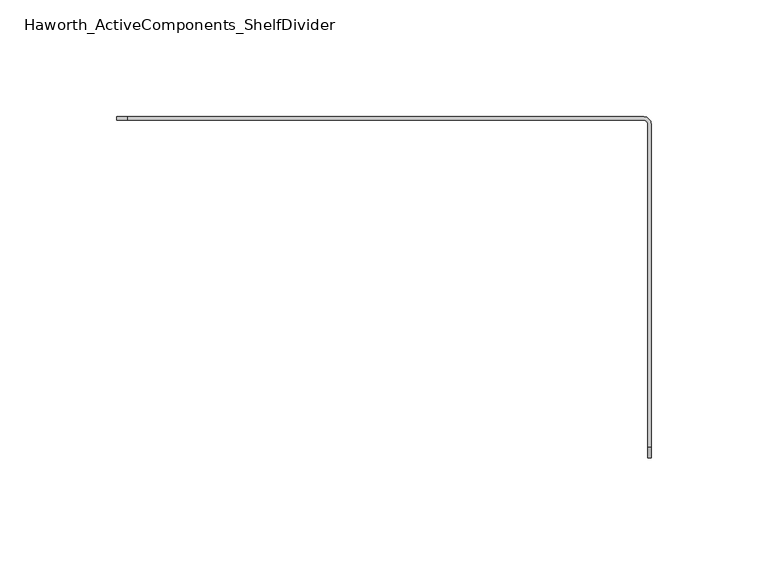
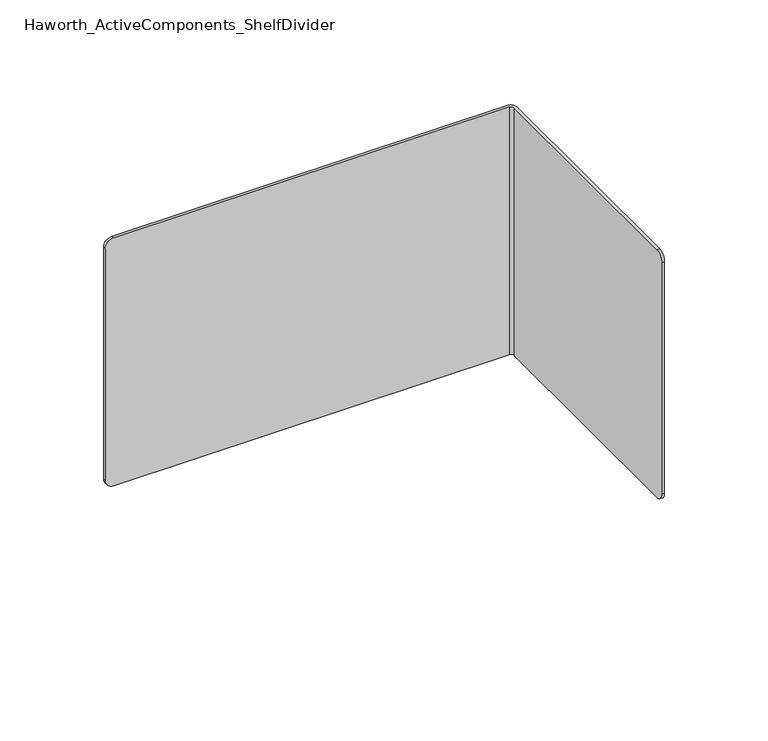
"""IFC4 building model written with IfcOpenShell, lengths in millimetres: furniture geometry, Haworth_ActiveComponents_ShelfDivider."""

from ifc_helpers import new_model, si_unit, frame, origin, place, context, project, spatial, polyline, circle_curve, source, transform, mapped, element, save
from ifc_brep_helpers import plane_surface, cylinder_surface, revolved_surface, advanced_brep


def haworth_activecomponents_shelfdivider_80eb32d8(model_context):
    return source(origin(), model_context, "Body", "AdvancedBrep", [
        advanced_brep(
        [(-111.0257812, 168.2131485, 984.25), (-109.4382812, 166.6256485, 984.25), (-109.4382812, 28.4373174, 984.25), (-107.95, 28.4373174, 984.25), (-107.95, 166.5621484, 984.25), (-111.125, 169.7371484, 984.25), (-331.7998311, 169.7371484, 984.25), (-331.7998311, 168.2131485, 984.25), (-111.125, 169.7371484, 838.2), (-107.95, 166.5621484, 838.2), (-107.95, 28.4373174, 838.2), (-109.4382812, 28.4373174, 838.2), (-109.4382812, 166.6256485, 838.2), (-111.0257812, 168.2131485, 838.2), (-331.7998311, 168.2131485, 838.2), (-331.7998311, 169.7371484, 838.2), (-336.55, 169.7371484, 842.9501689), (-336.55, 169.7371484, 979.4998311), (-336.55, 168.2131485, 842.9501689), (-336.55, 168.2131485, 979.4998311), (-109.4382812, 23.6871484, 842.9501689), (-109.4382812, 23.6871484, 979.4998311), (-107.95, 23.6871484, 842.9501689), (-107.95, 23.6871484, 979.4998311)],
        [
            (0, 1, circle_curve(frame((-111.0257812, 166.6256485, 984.25), z_axis=(0.0, 0.0, -1.0), x_axis=(1.0, 0.0, 0.0)), 1.5875)),
            (1, 2),
            (2, 3),
            (3, 4),
            (4, 5, circle_curve(frame((-111.125, 166.5621484, 984.25), z_axis=(0.0, 0.0, 1.0), x_axis=(1.0, 0.0, 0.0)), 3.175)),
            (5, 6),
            (6, 7),
            (7, 0),
            (8, 9, circle_curve(frame((-111.125, 166.5621484, 838.2), z_axis=(0.0, 0.0, -1.0), x_axis=(1.0, 0.0, 0.0)), 3.175)),
            (9, 10),
            (10, 11),
            (11, 12),
            (12, 13, circle_curve(frame((-111.0257812, 166.6256485, 838.2), z_axis=(0.0, 0.0, 1.0), x_axis=(1.0, 0.0, 0.0)), 1.5875)),
            (13, 14),
            (14, 15),
            (15, 8),
            (5, 8),
            (15, 16, circle_curve(frame((-331.7998311, 169.7371484, 842.9501689), z_axis=(0.0, 1.0, 0.0), x_axis=(0.0, 0.0, -1.0)), 4.7501689)),
            (16, 17),
            (17, 6, circle_curve(frame((-331.7998311, 169.7371484, 979.4998311), z_axis=(0.0, 1.0, 0.0), x_axis=(0.0, 0.0, -1.0)), 4.7501689)),
            (16, 18),
            (18, 19),
            (19, 17),
            (13, 0),
            (7, 19, circle_curve(frame((-331.7998311, 168.2131485, 979.4998311), z_axis=(0.0, -1.0, 0.0), x_axis=(0.0, 0.0, -1.0)), 4.7501689)),
            (18, 14, circle_curve(frame((-331.7998311, 168.2131485, 842.9501689), z_axis=(0.0, -1.0, 0.0), x_axis=(0.0, 0.0, -1.0)), 4.7501689)),
            (12, 1),
            (11, 20, circle_curve(frame((-109.4382812, 28.4373174, 842.9501689), z_axis=(-1.0, 0.0, 0.0), x_axis=(0.0, 1.0, 0.0)), 4.7501689)),
            (20, 21),
            (21, 2, circle_curve(frame((-109.4382812, 28.4373174, 979.4998311), z_axis=(-1.0, 0.0, 0.0), x_axis=(0.0, 1.0, 0.0)), 4.7501689)),
            (20, 22),
            (22, 23),
            (23, 21),
            (9, 4),
            (3, 23, circle_curve(frame((-107.95, 28.4373174, 979.4998311), z_axis=(1.0, 0.0, 0.0), x_axis=(0.0, 1.0, 0.0)), 4.7501689)),
            (22, 10, circle_curve(frame((-107.95, 28.4373174, 842.9501689), z_axis=(1.0, 0.0, 0.0), x_axis=(0.0, 1.0, 0.0)), 4.7501689)),
        ],
        [
            plane_surface(frame((-336.55, 169.7371484, 984.25), z_axis=(0.0, 0.0, 1.0), x_axis=(-1.0, 0.0, 0.0))),
            plane_surface(frame((-336.55, 169.7371484, 838.2), z_axis=(0.0, 0.0, -1.0), x_axis=(1.0, 0.0, 0.0))),
            plane_surface(frame((-111.125, 169.7371484, 984.25), z_axis=(0.0, 1.0, 0.0), x_axis=(0.0, 0.0, -1.0))),
            plane_surface(frame((-336.55, 169.7371484, 984.25), z_axis=(-1.0, 0.0, 0.0), x_axis=(0.0, 0.0, -1.0))),
            plane_surface(frame((-336.55, 168.2131485, 984.25), z_axis=(0.0, -1.0, 0.0), x_axis=(0.0, 0.0, -1.0))),
            revolved_surface(polyline([(-109.43828119999999, 166.6256485, 838.2), (-109.43828119999999, 166.6256485, 984.25)]), (-111.0257812, 166.6256485, 838.2), (0.0, 0.0, -1.0)),
            plane_surface(frame((-109.4382812, 166.6256485, 984.25), z_axis=(-1.0, 0.0, 0.0), x_axis=(0.0, 0.0, -1.0))),
            plane_surface(frame((-109.4382812, 23.6871484, 984.25), z_axis=(0.0, -1.0, 0.0), x_axis=(0.0, 0.0, -1.0))),
            plane_surface(frame((-107.95, 23.6871484, 984.25), z_axis=(1.0, 0.0, 0.0), x_axis=(0.0, 0.0, -1.0))),
            cylinder_surface(frame((-111.125, 166.5621484, 838.2), z_axis=(0.0, 0.0, 1.0), x_axis=(1.0, 0.0, 0.0)), 3.175),
            cylinder_surface(frame((-331.7998311, 168.2131485, 979.4998311), z_axis=(0.0, -1.0, 0.0), x_axis=(0.0, 0.0, -1.0)), 4.7501689),
            cylinder_surface(frame((-331.7998311, 169.7371484, 842.9501689), z_axis=(0.0, -1.0, 0.0), x_axis=(0.0, 0.0, -1.0)), 4.7501689),
            cylinder_surface(frame((-109.4382812, 28.4373174, 979.4998311), z_axis=(-1.0, 0.0, 0.0), x_axis=(0.0, 1.0, 0.0)), 4.7501689),
            cylinder_surface(frame((-222.25, 28.4373174, 842.9501689), z_axis=(-1.0, 0.0, 0.0), x_axis=(0.0, 1.0, 0.0)), 4.7501689),
        ],
        [
            (0, [[1, 2, 3, 4, 5, 6, 7, 8]]),
            (1, [[9, 10, 11, 12, 13, 14, 15, 16]]),
            (2, [[17, -16, 18, 19, 20, -6]]),
            (3, [[-19, 21, 22, 23]]),
            (4, [[24, -8, 25, -22, 26, -14]]),
            (5, [[-1, -24, -13, 27]]),
            (6, [[-27, -12, 28, 29, 30, -2]]),
            (7, [[-29, 31, 32, 33]]),
            (8, [[34, -4, 35, -32, 36, -10]]),
            (9, [[-5, -34, -9, -17]]),
            (10, [[-7, -20, -23, -25]]),
            (11, [[-15, -26, -21, -18]]),
            (12, [[-3, -30, -33, -35]]),
            (13, [[-11, -36, -31, -28]]),
        ],
    ),
    ])


if __name__ == "__main__":
    model = new_model("IFC4")
    model_context = context("Model", 3, world=origin())
    ifc_project = project(units=[si_unit("LENGTHUNIT", "METRE", prefix="MILLI")], contexts=[model_context])
    site = spatial("IfcSite", under=ifc_project)
    building = spatial("IfcBuilding", under=site)
    placement = place(None, origin())
    haworth_activecomponents_shelfdivider_shape = haworth_activecomponents_shelfdivider_80eb32d8(model_context)
    element("IfcFurniture", 1, ObjectType="Haworth_ActiveComponents_ShelfDivider", at=placement, inside=building, context=model_context, shape_type="MappedRepresentation", body=[
        mapped(haworth_activecomponents_shelfdivider_shape, transform((0.0, 0.0, 0.0), x_axis=(1.0, 0.0, 0.0), y_axis=(0.0, 1.0, 0.0), z_axis=(0.0, 0.0, 1.0))),
    ])
    save(model, "model.ifc")
